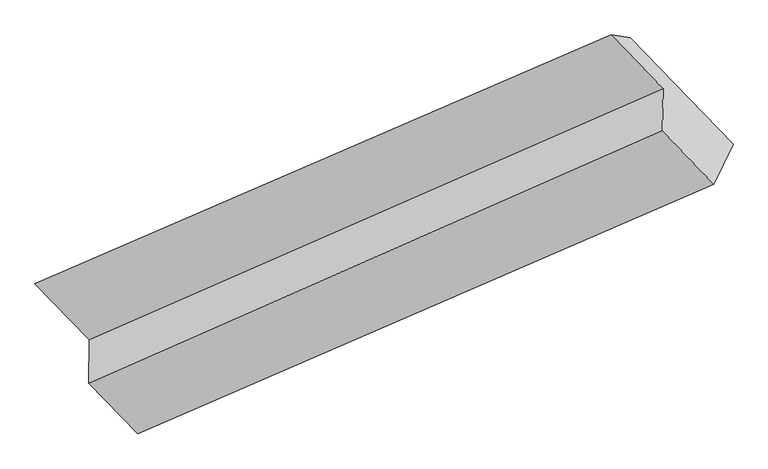
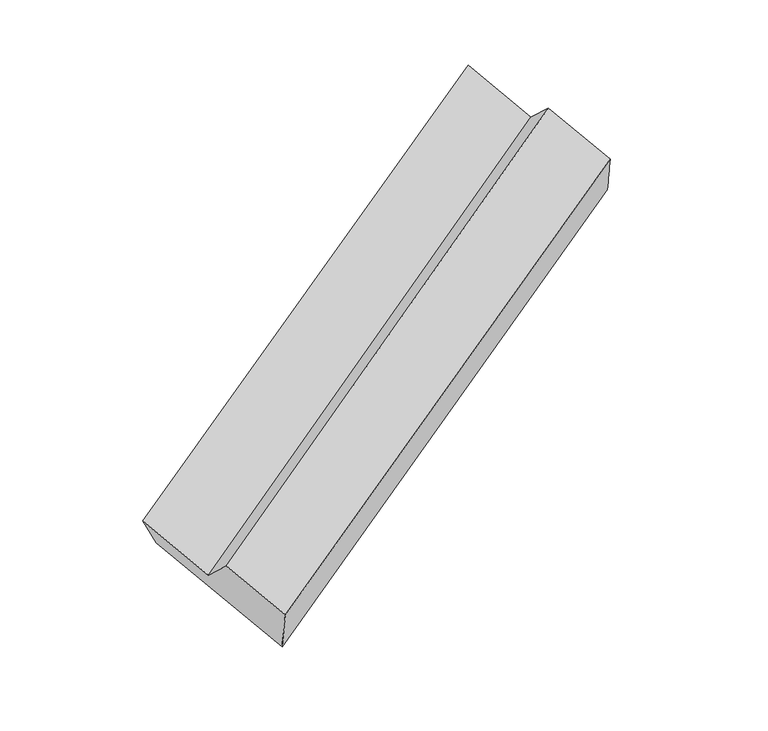
"""IFC4 building model written with IfcOpenShell, lengths in millimetres: proxy geometry."""

from ifc_helpers import new_model, si_unit, frame, origin, place, context, project, spatial, source, transform, mapped, element, save
from ifc_brep_helpers import plane_surface, spline_surface, advanced_brep


def generic_models_4bf93200(model_context):
    return source(origin(), model_context, "Body", "AdvancedBrep", [
        advanced_brep(
        [(-4438.3145958, -2659.6971915, 226.2506962), (-5176.5478804, -1896.753007, 1055.4071953), (-1105.1182958, -162.4147426, 3100.7775835), (-377.8456642, -914.0313878, 2283.9316872), (-5305.0756837, -1898.2725852, 1317.1539181), (-1238.8907028, -143.4498806, 3355.2523161), (-4921.6221257, -2294.5614931, 886.4729717), (-871.8781243, -522.7474796, 2943.0372738), (-4926.4885914, -2600.532356, 1163.6777018), (-876.6267287, -821.3080072, 3213.5283581), (-4580.0628058, -2958.5540598, 774.5849888), (-513.7599636, -1196.3210199, 2805.969741)],
        [
            (0, 1),
            (1, 2),
            (2, 3),
            (3, 0),
            (1, 4),
            (4, 5),
            (5, 2),
            (4, 6),
            (6, 7),
            (7, 5),
            (6, 8),
            (8, 9),
            (9, 7),
            (8, 10),
            (10, 11),
            (11, 9),
            (10, 0),
            (3, 11),
        ],
        [
            plane_surface(frame((-4807.4312381, -2278.2250993, 640.8289458), z_axis=(0.018647964952421964, 0.7439678281839267, -0.6679551811539637), x_axis=(-0.5480326519021241, 0.5663769615547716, 0.6155301372549602))),
            spline_surface(1, 1, [[(-5176.5478804, -1896.753007, 1055.4071953), (-1105.1182958, -162.4147426, 3100.7775835)], [(-5305.0756837, -1898.2725852, 1317.1539181), (-1238.8907028, -143.4498806, 3355.2523161)]], [2, 2], [2, 2], [0.0, 1.0], [0.0, 1.0]),
            plane_surface(frame((-5113.3489047, -2096.4170392, 1101.8134449), z_axis=(-0.015217236372628284, -0.7425069511689186, 0.6696654860324049), x_axis=(0.5480326519021241, -0.5663769615547712, -0.6155301372549606))),
            plane_surface(frame((-4924.0553585, -2447.5469245, 1025.0753367), z_axis=(-0.5565814495711361, 0.5626481921068318, 0.6112643469990758), x_axis=(-0.011786136205802536, -0.7410335285488616, 0.6713645779751578))),
            plane_surface(frame((-4753.2756986, -2779.5432079, 969.1313453), z_axis=(-0.013501721912415943, -0.7417718034938996, 0.6705164390578409), x_axis=(0.5480326519021269, -0.5663769615547765, -0.6155301372549531))),
            spline_surface(1, 1, [[(-4580.0628058, -2958.5540598, 774.5849888), (-513.7599636, -1196.3210199, 2805.969741)], [(-4438.3145958, -2659.6971915, 226.2506962), (-377.8456642, -914.0313878, 2283.9316872)]], [2, 2], [2, 2], [0.0, 1.0], [0.0, 1.0]),
            plane_surface(frame((-830.6865799, -626.7120863, 2950.4161599), z_axis=(0.8363738993072777, 0.36067498802441833, 0.41278596581173305), x_axis=(0.5480326519021269, -0.5663769615547765, -0.6155301372549531))),
            plane_surface(frame((-4891.3519471, -2384.7284488, 903.9245787), z_axis=(-0.8363738993072826, -0.36067498802440434, -0.41278596581173593), x_axis=(-0.22135232819783343, -0.4666913507523766, 0.8562723456554702))),
        ],
        [
            (0, [[1, 2, 3, 4]]),
            (1, [[5, 6, 7, -2]]),
            (2, [[8, 9, 10, -6]]),
            (3, [[11, 12, 13, -9]]),
            (4, [[14, 15, 16, -12]]),
            (5, [[17, -4, 18, -15]]),
            (6, [[-16, -18, -3, -7, -10, -13]]),
            (7, [[-17, -14, -11, -8, -5, -1]]),
        ],
    ),
    ])


if __name__ == "__main__":
    model = new_model("IFC4")
    model_context = context("Model", 3, world=origin())
    ifc_project = project(units=[si_unit("LENGTHUNIT", "METRE", prefix="MILLI")], contexts=[model_context])
    site = spatial("IfcSite", under=ifc_project)
    building = spatial("IfcBuilding", under=site)
    placement = place(None, origin())
    generic_models_shape = generic_models_4bf93200(model_context)
    element("IfcBuildingElementProxy", 1, Name="Generic Models", at=placement, inside=building, context=model_context, shape_type="MappedRepresentation", body=[
        mapped(generic_models_shape, transform((0.0, 0.0, 0.0), x_axis=(1.0, 0.0, 0.0), y_axis=(0.0, 1.0, 0.0), z_axis=(0.0, 0.0, 1.0))),
    ])
    save(model, "model.ifc")
